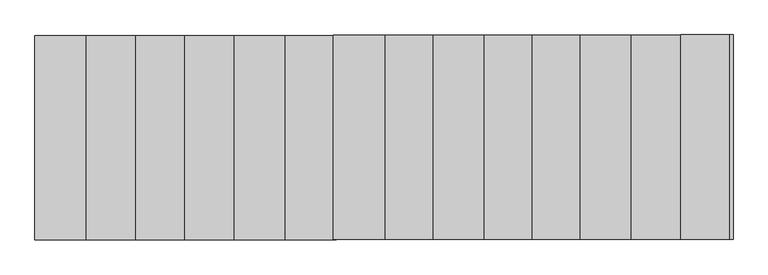
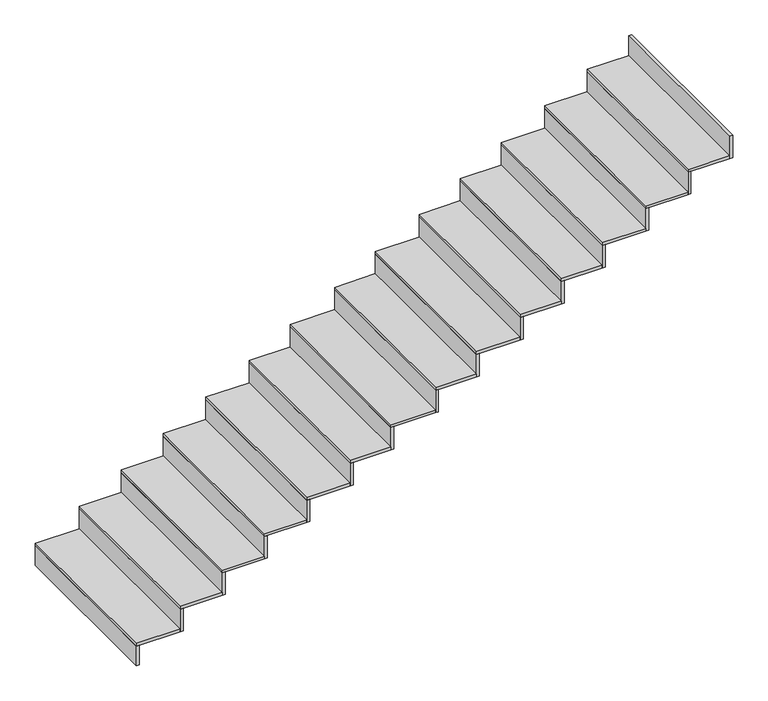
"""IFC4 building model written with IfcOpenShell, lengths in millimetres: stair flight geometry."""

from ifc_helpers import new_model, si_unit, frame, origin, place, context, project, spatial, polyline, outline, extrude, source, transform, mapped, element, save


def stair_flight_29861ab3(model_context):
    return source(origin(), model_context, "Body", "SweptSolid", [
        extrude(outline(polyline([(13334.0526818, 661.3244637), (13314.0526818, 661.3029135), (13314.0526818, 1859.4411468), (13334.0526818, 1859.4657888), (13334.0526818, 661.3244637)])), frame((0.0, 0.0, -2396.5), z_axis=(0.0, 0.0, 1.0), x_axis=(1.0, 0.0, 0.0)), (0.0, 0.0, 1.0), 142.1864079),
        extrude(outline(polyline([(13614.534613, 1859.8113715), (13614.534613, 661.6266854), (13314.0526818, 661.3029135), (13314.0526818, 1859.4411468), (13614.534613, 1859.8113715)])), frame((0.0, 0.0, -2254.3135921), z_axis=(0.0, 0.0, 1.0), x_axis=(1.0, 0.0, 0.0)), (0.0, 0.0, 1.0), 20.0),
        extrude(outline(polyline([(13634.534613, 661.6482356), (13614.534613, 661.6266854), (13614.534613, 1859.8113715), (13634.534613, 1859.8360135), (13634.534613, 661.6482356)])), frame((0.0, 0.0, -2254.3135921), z_axis=(0.0, 0.0, 1.0), x_axis=(1.0, 0.0, 0.0)), (0.0, 0.0, 1.0), 162.1864079),
        extrude(outline(polyline([(13904.2869153, 1860.1683761), (13904.2869153, 661.9388961), (13614.534613, 661.6266854), (13614.534613, 1859.8113715), (13904.2869153, 1860.1683761)])), frame((0.0, 0.0, -2092.1271841), z_axis=(0.0, 0.0, 1.0), x_axis=(1.0, 0.0, 0.0)), (0.0, 0.0, 1.0), 20.0),
        extrude(outline(polyline([(13924.2869153, 661.9604463), (13904.2869153, 661.9388961), (13904.2869153, 1860.1683761), (13924.2869153, 1860.1930182), (13924.2869153, 661.9604463)])), frame((0.0, 0.0, -2092.1271841), z_axis=(0.0, 0.0, 1.0), x_axis=(1.0, 0.0, 0.0)), (0.0, 0.0, 1.0), 162.1864079),
        extrude(outline(polyline([(14192.0453798, 1860.5229242), (14192.0453798, 662.2489584), (13904.2869153, 661.9388961), (13904.2869153, 1860.1683761), (14192.0453798, 1860.5229242)])), frame((0.0, 0.0, -1929.9407762), z_axis=(0.0, 0.0, 1.0), x_axis=(1.0, 0.0, 0.0)), (0.0, 0.0, 1.0), 20.0),
        extrude(outline(polyline([(14212.0453798, 662.2705086), (14192.0453798, 662.2489584), (14192.0453798, 1860.5229242), (14212.0453798, 1860.5475662), (14212.0453798, 662.2705086)])), frame((0.0, 0.0, -1929.9407762), z_axis=(0.0, 0.0, 1.0), x_axis=(1.0, 0.0, 0.0)), (0.0, 0.0, 1.0), 162.1864079),
        extrude(outline(polyline([(14482.5655837, 1860.880875), (14482.5655837, 662.5619966), (14192.0453798, 662.2489584), (14192.0453798, 1860.5229242), (14482.5655837, 1860.880875)])), frame((0.0, 0.0, -1767.7543683), z_axis=(0.0, 0.0, 1.0), x_axis=(1.0, 0.0, 0.0)), (0.0, 0.0, 1.0), 20.0),
        extrude(outline(polyline([(14502.5655837, 662.5835467), (14482.5655837, 662.5619966), (14482.5655837, 1860.880875), (14502.5655837, 1860.905517), (14502.5655837, 662.5835467)])), frame((0.0, 0.0, -1767.7543683), z_axis=(0.0, 0.0, 1.0), x_axis=(1.0, 0.0, 0.0)), (0.0, 0.0, 1.0), 162.1864079),
        extrude(outline(polyline([(14780.5327711, 1861.2480012), (14780.5327711, 662.8830589), (14482.5655837, 662.5619966), (14482.5655837, 1860.880875), (14780.5327711, 1861.2480012)])), frame((0.0, 0.0, -1605.5679604), z_axis=(0.0, 0.0, 1.0), x_axis=(1.0, 0.0, 0.0)), (0.0, 0.0, 1.0), 20.0),
        extrude(outline(polyline([(14800.5327711, 662.904609), (14780.5327711, 662.8830589), (14780.5327711, 1861.2480012), (14800.5327711, 1861.2726433), (14800.5327711, 662.904609)])), frame((0.0, 0.0, -1605.5679604), z_axis=(0.0, 0.0, 1.0), x_axis=(1.0, 0.0, 0.0)), (0.0, 0.0, 1.0), 162.1864079),
        extrude(outline(polyline([(15060.5327711, 1861.5929901), (15060.5327711, 663.1847614), (14780.5327711, 662.8830589), (14780.5327711, 1861.2480012), (15060.5327711, 1861.5929901)])), frame((0.0, 0.0, -1443.3815524), z_axis=(0.0, 0.0, 1.0), x_axis=(1.0, 0.0, 0.0)), (0.0, 0.0, 1.0), 20.0),
        extrude(outline(polyline([(15080.5327711, 663.2063115), (15060.5327711, 663.1847614), (15060.5327711, 1861.5929901), (15080.5327711, 1861.6176321), (15080.5327711, 663.2063115)])), frame((0.0, 0.0, -1443.3815524), z_axis=(0.0, 0.0, 1.0), x_axis=(1.0, 0.0, 0.0)), (0.0, 0.0, 1.0), 162.1864079),
        extrude(outline(polyline([(15366.1712365, 1861.9695681), (15366.1712365, 663.5140895), (15060.5327711, 663.1847614), (15060.5327711, 1861.5929901), (15366.1712365, 1861.9695681)])), frame((0.0, 0.0, -1281.1951445), z_axis=(0.0, 0.0, 1.0), x_axis=(1.0, 0.0, 0.0)), (0.0, 0.0, 1.0), 20.0),
        extrude(outline(polyline([(15386.1712365, 663.5356397), (15366.1712365, 663.5140895), (15366.1712365, 1861.9695681), (15386.1712365, 1861.9942102), (15386.1712365, 663.5356397)])), frame((0.0, 0.0, -1281.1951445), z_axis=(0.0, 0.0, 1.0), x_axis=(1.0, 0.0, 0.0)), (0.0, 0.0, 1.0), 162.1864079),
        extrude(outline(polyline([(15646.1712365, 1862.314557), (15646.1712365, 663.815792), (15366.1712365, 663.5140895), (15366.1712365, 1861.9695681), (15646.1712365, 1862.314557)])), frame((0.0, 0.0, -1119.0087366), z_axis=(0.0, 0.0, 1.0), x_axis=(1.0, 0.0, 0.0)), (0.0, 0.0, 1.0), 20.0),
        extrude(outline(polyline([(15666.1712365, 663.8373422), (15646.1712365, 663.815792), (15646.1712365, 1862.314557), (15666.1712365, 1862.339199), (15666.1712365, 663.8373422)])), frame((0.0, 0.0, -1119.0087366), z_axis=(0.0, 0.0, 1.0), x_axis=(1.0, 0.0, 0.0)), (0.0, 0.0, 1.0), 162.1864079),
        extrude(outline(polyline([(15946.1712365, 1862.6841879), (15946.1712365, 664.1390447), (15646.1712365, 663.815792), (15646.1712365, 1862.314557), (15946.1712365, 1862.6841879)])), frame((0.0, 0.0, -956.8223286), z_axis=(0.0, 0.0, 1.0), x_axis=(1.0, 0.0, 0.0)), (0.0, 0.0, 1.0), 20.0),
        extrude(outline(polyline([(15966.1712365, 664.1605949), (15946.1712365, 664.1390447), (15946.1712365, 1862.6841879), (15966.1712365, 1862.7088299), (15966.1712365, 664.1605949)])), frame((0.0, 0.0, -956.8223286), z_axis=(0.0, 0.0, 1.0), x_axis=(1.0, 0.0, 0.0)), (0.0, 0.0, 1.0), 162.1864079),
        extrude(outline(polyline([(16228.7117489, 1863.0323069), (16228.7117489, 664.4434846), (15946.1712365, 664.1390447), (15946.1712365, 1862.6841879), (16228.7117489, 1863.0323069)])), frame((0.0, 0.0, -794.6359207), z_axis=(0.0, 0.0, 1.0), x_axis=(1.0, 0.0, 0.0)), (0.0, 0.0, 1.0), 20.0),
        extrude(outline(polyline([(16248.7117489, 664.4650348), (16228.7117489, 664.4434846), (16228.7117489, 1863.0323069), (16248.7117489, 1863.0569489), (16248.7117489, 664.4650348)])), frame((0.0, 0.0, -794.6359207), z_axis=(0.0, 0.0, 1.0), x_axis=(1.0, 0.0, 0.0)), (0.0, 0.0, 1.0), 162.1864079),
        extrude(outline(polyline([(16508.7117489, 1863.3772957), (16508.7117489, 664.7451871), (16228.7117489, 664.4434846), (16228.7117489, 1863.0323069), (16508.7117489, 1863.3772957)])), frame((0.0, 0.0, -632.4495128), z_axis=(0.0, 0.0, 1.0), x_axis=(1.0, 0.0, 0.0)), (0.0, 0.0, 1.0), 20.0),
        extrude(outline(polyline([(16528.7117489, 664.7667373), (16508.7117489, 664.7451871), (16508.7117489, 1863.3772957), (16528.7117489, 1863.4019378), (16528.7117489, 664.7667373)])), frame((0.0, 0.0, -632.4495128), z_axis=(0.0, 0.0, 1.0), x_axis=(1.0, 0.0, 0.0)), (0.0, 0.0, 1.0), 162.1864079),
        extrude(outline(polyline([(16807.8758242, 1863.7458966), (16807.8758242, 665.0675391), (16508.7117489, 664.7451871), (16508.7117489, 1863.3772957), (16807.8758242, 1863.7458966)])), frame((0.0, 0.0, -470.2631049), z_axis=(0.0, 0.0, 1.0), x_axis=(1.0, 0.0, 0.0)), (0.0, 0.0, 1.0), 20.0),
        extrude(outline(polyline([(16827.8758242, 665.0890892), (16807.8758242, 665.0675391), (16807.8758242, 1863.7458966), (16827.8758242, 1863.7705387), (16827.8758242, 665.0890892)])), frame((0.0, 0.0, -470.2631049), z_axis=(0.0, 0.0, 1.0), x_axis=(1.0, 0.0, 0.0)), (0.0, 0.0, 1.0), 162.1864079),
        extrude(outline(polyline([(17097.7423837, 1864.1030421), (17097.7423837, 665.3798729), (16807.8758242, 665.0675391), (16807.8758242, 1863.7458966), (17097.7423837, 1864.1030421)])), frame((0.0, 0.0, -308.0766969), z_axis=(0.0, 0.0, 1.0), x_axis=(1.0, 0.0, 0.0)), (0.0, 0.0, 1.0), 20.0),
        extrude(outline(polyline([(17117.7423837, 665.401423), (17097.7423837, 665.3798729), (17097.7423837, 1864.1030421), (17117.7423837, 1864.1276841), (17117.7423837, 665.401423)])), frame((0.0, 0.0, -308.0766969), z_axis=(0.0, 0.0, 1.0), x_axis=(1.0, 0.0, 0.0)), (0.0, 0.0, 1.0), 162.1864079),
        extrude(outline(polyline([(17404.0495925, 665.7099216), (17384.0495925, 665.6883714), (17384.0495925, 1864.455802), (17404.0495925, 1864.4804441), (17404.0495925, 665.7099216)])), frame((0.0, 0.0, -145.890289), z_axis=(0.0, 0.0, 1.0), x_axis=(1.0, 0.0, 0.0)), (0.0, 0.0, 1.0), 162.1864079),
        extrude(outline(polyline([(17384.0495925, 1864.455802), (17384.0495925, 665.6883714), (17097.7423837, 665.3798729), (17097.7423837, 1864.1030421), (17384.0495925, 1864.455802)])), frame((0.0, 0.0, -145.890289), z_axis=(0.0, 0.0, 1.0), x_axis=(1.0, 0.0, 0.0)), (0.0, 0.0, 1.0), 20.0),
    ])


if __name__ == "__main__":
    model = new_model("IFC4")
    model_context = context("Model", 3, world=origin())
    ifc_project = project(units=[si_unit("LENGTHUNIT", "METRE", prefix="MILLI")], contexts=[model_context])
    site = spatial("IfcSite", under=ifc_project)
    building = spatial("IfcBuilding", under=site)
    placement = place(None, origin())
    stair_flight_shape = stair_flight_29861ab3(model_context)
    element("IfcStairFlight", 1, at=placement, inside=building, context=model_context, shape_type="MappedRepresentation", body=[
        mapped(stair_flight_shape, transform((0.0, 0.0, 0.0), x_axis=(1.0, 0.0, 0.0), y_axis=(0.0, 1.0, 0.0), z_axis=(0.0, 0.0, 1.0))),
    ])
    save(model, "model.ifc")
